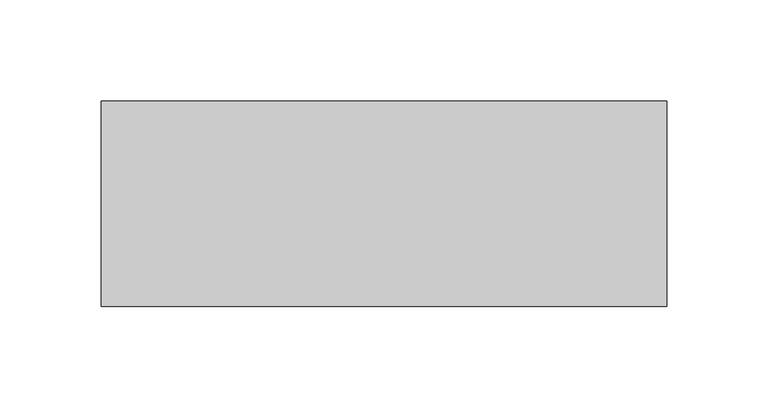
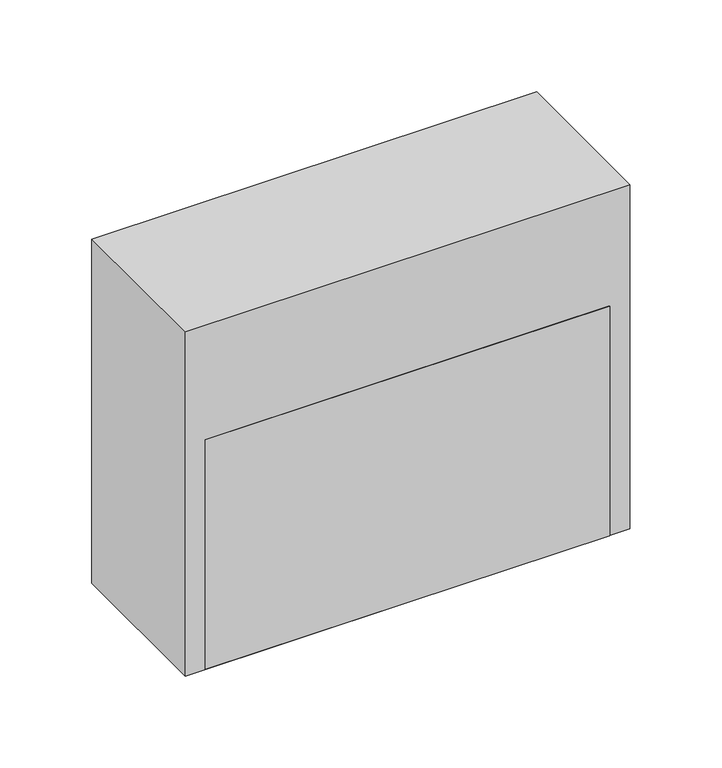
"""IFC4 building model written with IfcOpenShell, lengths in millimetres: proxy geometry."""

from ifc_helpers import new_model, si_unit, origin, origin_with_axes, place, context, project, spatial, polyline, outline, extrude, source, transform, mapped, element, save


def specialty_equipment_74a6d593(model_context):
    return source(origin(), model_context, "Body", "SweptSolid", [
        extrude(outline(polyline([(127.0, 0.0), (127.0, -101.6), (-127.0, -101.6), (-127.0, 0.0), (127.0, 0.0)])), origin_with_axes(), (0.0, 0.0, 1.0), 152.4),
        extrude(outline(polyline([(139.7, -101.6), (-139.7, -101.6), (-139.7, 0.0), (139.7, 0.0), (139.7, -101.6)])), origin_with_axes(), (0.0, 0.0, 1.0), 228.6),
    ])


if __name__ == "__main__":
    model = new_model("IFC4")
    model_context = context("Model", 3, world=origin())
    ifc_project = project(units=[si_unit("LENGTHUNIT", "METRE", prefix="MILLI")], contexts=[model_context])
    site = spatial("IfcSite", under=ifc_project)
    building = spatial("IfcBuilding", under=site)
    placement = place(None, origin())
    specialty_equipment_shape = specialty_equipment_74a6d593(model_context)
    element("IfcBuildingElementProxy", 1, Name="Specialty Equipment", at=placement, inside=building, context=model_context, shape_type="MappedRepresentation", body=[
        mapped(specialty_equipment_shape, transform((0.0, 0.0, 0.0), x_axis=(1.0, 0.0, 0.0), y_axis=(0.0, 1.0, 0.0), z_axis=(0.0, 0.0, 1.0))),
    ])
    save(model, "model.ifc")
